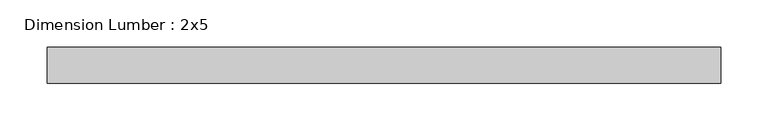
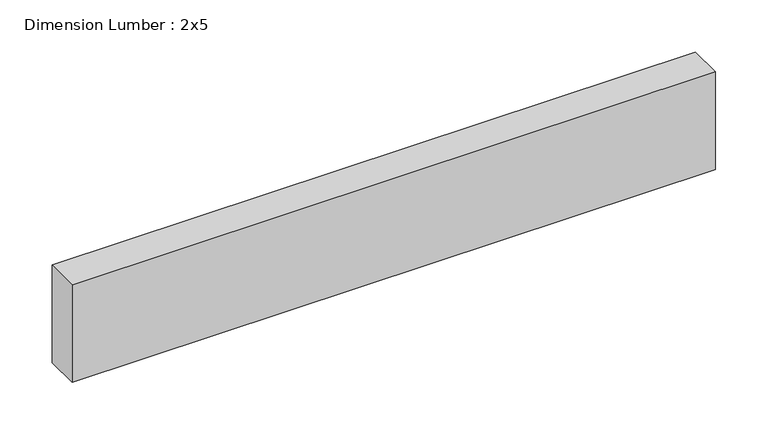
"""IFC4 building model written with IfcOpenShell, lengths in millimetres: beam geometry, Dimension Lumber : 2x5."""

from ifc_helpers import new_model, si_unit, frame, origin, place, context, project, spatial, polyline, outline, extrude, source, transform, mapped, element, save


def dimension_lumber_2x5_70e10a3c(model_context):
    return source(origin(), model_context, "Body", "SweptSolid", [
        extrude(outline(polyline([(356.0351726, 19.05), (356.0351726, -19.05), (-356.0351726, -19.05), (-356.0351726, 19.05), (356.0351726, 19.05)])), frame((0.0, 0.0, -57.15), z_axis=(0.0, 0.0, 1.0), x_axis=(1.0, 0.0, 0.0)), (0.0, 0.0, 1.0), 114.3),
    ])


if __name__ == "__main__":
    model = new_model("IFC4")
    model_context = context("Model", 3, world=origin())
    ifc_project = project(units=[si_unit("LENGTHUNIT", "METRE", prefix="MILLI")], contexts=[model_context])
    site = spatial("IfcSite", under=ifc_project)
    building = spatial("IfcBuilding", under=site)
    placement = place(None, origin())
    dimension_lumber_2x5_shape = dimension_lumber_2x5_70e10a3c(model_context)
    element("IfcBeam", 1, ObjectType="Dimension Lumber : 2x5", at=placement, inside=building, context=model_context, shape_type="MappedRepresentation", body=[
        mapped(dimension_lumber_2x5_shape, transform((0.0, 0.0, 0.0), x_axis=(1.0, 0.0, 0.0), y_axis=(0.0, 1.0, 0.0), z_axis=(0.0, 0.0, 1.0))),
    ])
    save(model, "model.ifc")
